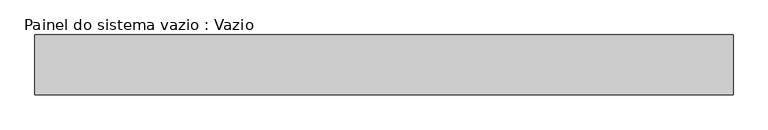
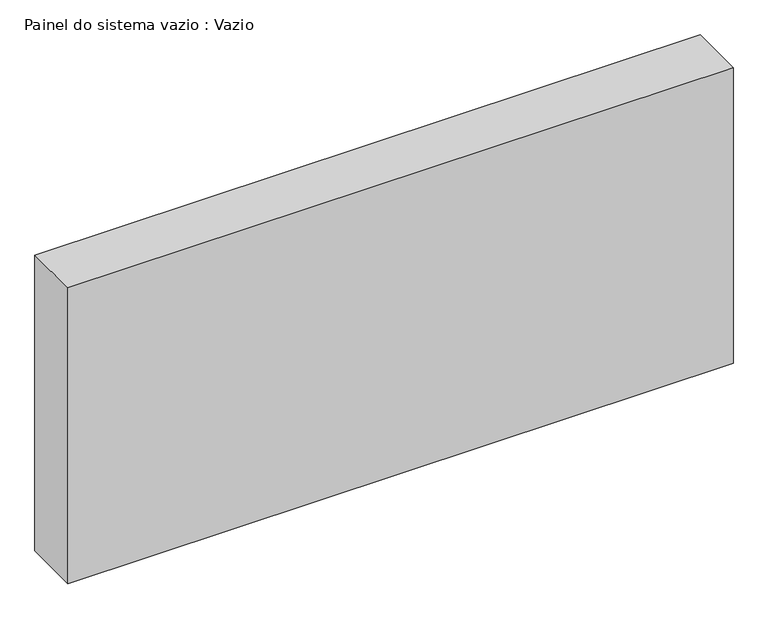
"""IFC4 building model written with IfcOpenShell, lengths in millimetres: plate geometry, Painel do sistema vazio : Vazio."""

from ifc_helpers import new_model, si_unit, origin, origin_with_axes, place, context, project, spatial, polyline, outline, extrude, source, transform, mapped, element, save


def painel_do_sistema_vazio_vazio_79540b2d(model_context):
    return source(origin(), model_context, "Body", "SweptSolid", [
        extrude(outline(polyline([(582.5, -50.0), (-582.5, -50.0), (-582.5, 50.0), (582.5, 50.0), (582.5, -50.0)])), origin_with_axes(), (0.0, 0.0, 1.0), 547.5),
    ])


if __name__ == "__main__":
    model = new_model("IFC4")
    model_context = context("Model", 3, world=origin())
    ifc_project = project(units=[si_unit("LENGTHUNIT", "METRE", prefix="MILLI")], contexts=[model_context])
    site = spatial("IfcSite", under=ifc_project)
    building = spatial("IfcBuilding", under=site)
    placement = place(None, origin())
    painel_do_sistema_vazio_vazio_shape = painel_do_sistema_vazio_vazio_79540b2d(model_context)
    element("IfcPlate", 1, ObjectType="Painel do sistema vazio : Vazio", at=placement, inside=building, context=model_context, shape_type="MappedRepresentation", body=[
        mapped(painel_do_sistema_vazio_vazio_shape, transform((0.0, 0.0, 0.0), x_axis=(1.0, 0.0, 0.0), y_axis=(0.0, 1.0, 0.0), z_axis=(0.0, 0.0, 1.0))),
    ])
    save(model, "model.ifc")
